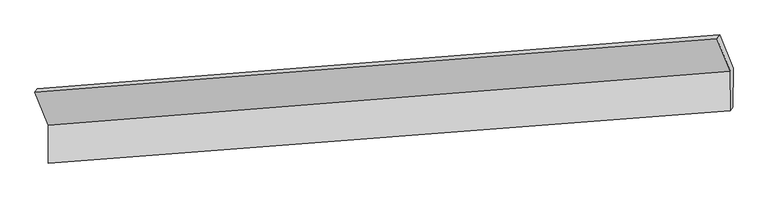
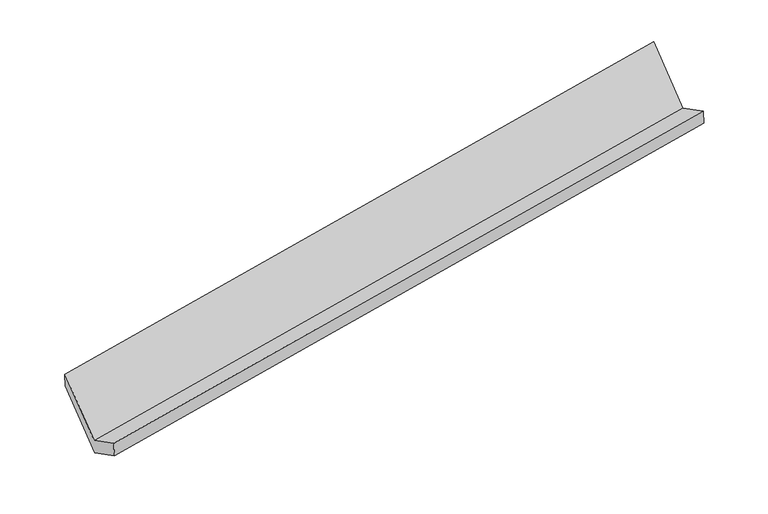
"""IFC4 building model written with IfcOpenShell, lengths in millimetres: proxy geometry."""

from ifc_helpers import new_model, si_unit, origin, place, context, project, spatial, faceted_brep, source, transform, mapped, element, save


def generic_models_4f846965(model_context):
    return source(origin(), model_context, "Body", "Brep", [
        faceted_brep([(-6004.075977, -1754.0637807, 1202.4221446), (-6006.5402628, -2106.1051105, 1386.3746701), (339.8170384, -1619.2196747, 2489.5480588), (342.3743834, -1253.8841483, 2298.6489027), (-5981.3923626, -2075.5437153, 1225.1135553), (364.9649386, -1588.6582795, 2328.286944), (-5978.9205123, -1722.4217447, 1040.5963614), (367.5298481, -1222.2421123, 2136.8231196), (-6105.3763765, -1414.1106053, 1628.9364226), (241.0739839, -913.9309728, 2725.1631807), (-6129.0681118, -1449.3213494, 1783.9521568), (217.3822486, -949.141717, 2880.178915)], [[[0, 1, 2, 3]], [[1, 4, 5, 2]], [[4, 6, 7, 5]], [[6, 8, 9, 7]], [[8, 10, 11, 9]], [[10, 0, 3, 11]], [[9, 11, 3, 2, 5, 7]], [[0, 10, 8, 6, 4, 1]]]),
    ])


if __name__ == "__main__":
    model = new_model("IFC4")
    model_context = context("Model", 3, world=origin())
    ifc_project = project(units=[si_unit("LENGTHUNIT", "METRE", prefix="MILLI")], contexts=[model_context])
    site = spatial("IfcSite", under=ifc_project)
    building = spatial("IfcBuilding", under=site)
    placement = place(None, origin())
    generic_models_shape = generic_models_4f846965(model_context)
    element("IfcBuildingElementProxy", 1, Name="Generic Models", at=placement, inside=building, context=model_context, shape_type="MappedRepresentation", body=[
        mapped(generic_models_shape, transform((0.0, 0.0, 0.0), x_axis=(1.0, 0.0, 0.0), y_axis=(0.0, 1.0, 0.0), z_axis=(0.0, 0.0, 1.0))),
    ])
    save(model, "model.ifc")
